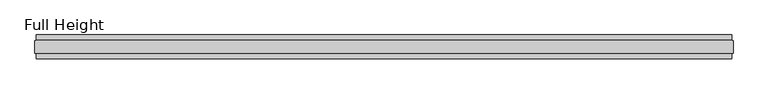
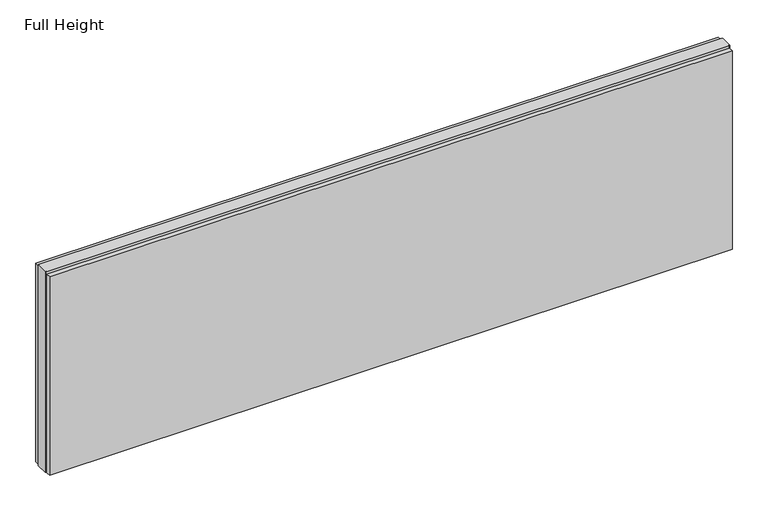
"""IFC4 building model written with IfcOpenShell, lengths in millimetres: plate geometry, Full Height."""

from ifc_helpers import new_model, si_unit, origin, origin_with_axes, place, context, project, spatial, polyline, outline, extrude, source, transform, mapped, element, save


def full_height_c9723626(model_context):
    return source(origin(), model_context, "Body", "SweptSolid", [
        extrude(outline(polyline([(1434.2109569, -28.956), (1434.2109569, -49.53), (-1434.2109569, -49.53), (-1434.2109569, -28.956), (1434.2109569, -28.956)])), origin_with_axes(), (0.0, 0.0, 1.0), 882.396),
        extrude(outline(polyline([(1434.2109569, 28.956), (-1434.2109569, 28.956), (-1434.2109569, 49.53), (1434.2109569, 49.53), (1434.2109569, 28.956)])), origin_with_axes(), (0.0, 0.0, 1.0), 882.396),
        extrude(outline(polyline([(1434.2109569, 25.146), (1438.7829569, 25.146), (1438.7829569, -25.146), (1434.2109569, -25.146), (1434.2109569, -26.67), (-1434.2109569, -26.67), (-1434.2109569, -25.146), (-1438.7829569, -25.146), (-1438.7829569, 25.146), (-1434.2109569, 25.146), (-1434.2109569, 26.67), (1434.2109569, 26.67), (1434.2109569, 25.146)])), origin_with_axes(), (0.0, 0.0, 1.0), 891.54),
    ])


if __name__ == "__main__":
    model = new_model("IFC4")
    model_context = context("Model", 3, world=origin())
    ifc_project = project(units=[si_unit("LENGTHUNIT", "METRE", prefix="MILLI")], contexts=[model_context])
    site = spatial("IfcSite", under=ifc_project)
    building = spatial("IfcBuilding", under=site)
    placement = place(None, origin())
    full_height_shape = full_height_c9723626(model_context)
    element("IfcPlate", 1, ObjectType="Full Height", at=placement, inside=building, context=model_context, shape_type="MappedRepresentation", body=[
        mapped(full_height_shape, transform((0.0, 0.0, 0.0), x_axis=(1.0, 0.0, 0.0), y_axis=(0.0, 1.0, 0.0), z_axis=(0.0, 0.0, 1.0))),
    ])
    save(model, "model.ifc")
